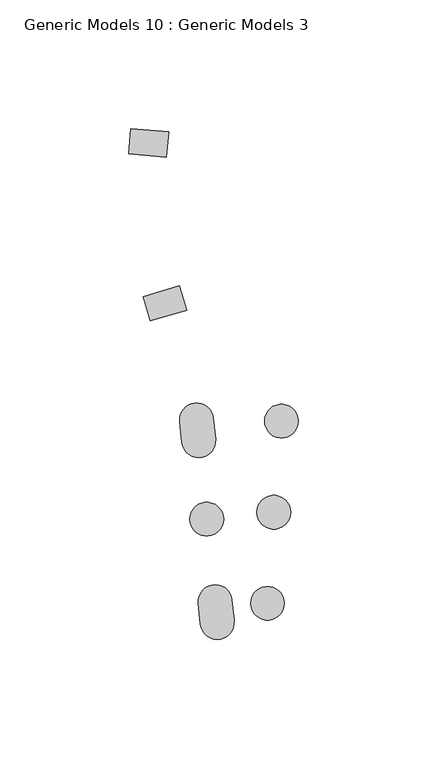
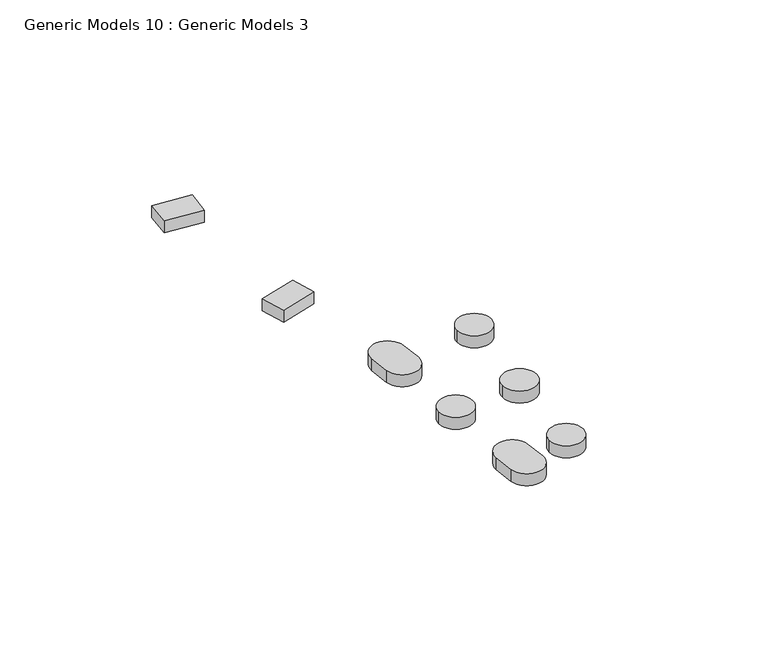
"""IFC4 building model written with IfcOpenShell, lengths in millimetres: proxy geometry, Generic Models 10 : Generic Models 3."""

from ifc_helpers import new_model, si_unit, point, frame, frame_2d, origin, place, context, project, spatial, polyline, circle_curve, trimmed, segment, composite_curve, outline, extrude, source, transform, mapped, element, save


def generic_models_10_generic_models_3_631e33b9(model_context):
    return source(origin(), model_context, "Body", "SweptSolid", [
        extrude(outline(polyline([(51367.1654521, -19982.6190928), (51366.2964898, -19992.419778), (51351.6053146, -19991.1172082), (51352.4742769, -19981.3165229), (51367.1654521, -19982.6190928)])), frame((0.0, 0.0, 808.320023), z_axis=(0.0, 0.0, 1.0), x_axis=(1.0, 0.0, 0.0)), (0.0, 0.0, 1.0), 4.891176),
        extrude(outline(polyline([(51374.2161279, -20051.8917534), (51360.0886538, -20056.1275288), (51357.2629097, -20046.7028964), (51371.3903837, -20042.4671209), (51374.2161279, -20051.8917534)])), frame((0.0, 0.0, 808.320023), z_axis=(0.0, 0.0, 1.0), x_axis=(1.0, 0.0, 0.0)), (0.0, 0.0, 1.0), 4.891176),
        extrude(outline(composite_curve([segment(trimmed(circle_curve(frame_2d((51411.0536554, -20095.0736024)), 6.5593835), [point((51404.4942719, -20095.0736024))], [point((51417.6130389, -20095.0736024))], False, "CARTESIAN"), True, "CONTINUOUS"), segment(trimmed(circle_curve(frame_2d((51411.0536554, -20095.0736024)), 6.5593835), [point((51417.6130389, -20095.0736024))], [point((51404.4942719, -20095.0736024))], False, "CARTESIAN"), True, "CONTINUOUS")], self_intersect=False)), frame((0.0, 0.0, 808.320023), z_axis=(0.0, 0.0, 1.0), x_axis=(1.0, 0.0, 0.0)), (0.0, 0.0, 1.0), 4.891176),
        extrude(outline(composite_curve([segment(trimmed(circle_curve(frame_2d((51378.0596685, -20094.5858295)), 6.5593835), [point((51371.5339992, -20095.250022))], [point((51384.5853378, -20093.9216371))], False, "CARTESIAN"), True, "CONTINUOUS"), segment(polyline([(51384.5853378, -20093.9216371), (51385.4155928, -20102.0788661)]), True, "CONTINUOUS"), segment(trimmed(circle_curve(frame_2d((51378.8899235, -20102.7430585)), 6.5593835), [point((51385.4155928, -20102.0788661))], [point((51372.3642542, -20103.407251))], False, "CARTESIAN"), True, "CONTINUOUS"), segment(polyline([(51372.3642542, -20103.407251), (51371.5339992, -20095.250022)]), True, "CONTINUOUS")], self_intersect=False)), frame((0.0, 0.0, 808.320023), z_axis=(0.0, 0.0, 1.0), x_axis=(1.0, 0.0, 0.0)), (0.0, 0.0, 1.0), 4.891176),
        extrude(outline(composite_curve([segment(trimmed(circle_curve(frame_2d((51408.0747469, -20130.5413384)), 6.5593835), [point((51401.5153634, -20130.5413384))], [point((51414.6341303, -20130.5413384))], False, "CARTESIAN"), True, "CONTINUOUS"), segment(trimmed(circle_curve(frame_2d((51408.0747469, -20130.5413384)), 6.5593835), [point((51414.6341303, -20130.5413384))], [point((51401.5153634, -20130.5413384))], False, "CARTESIAN"), True, "CONTINUOUS")], self_intersect=False)), frame((0.0, 0.0, 808.320023), z_axis=(0.0, 0.0, 1.0), x_axis=(1.0, 0.0, 0.0)), (0.0, 0.0, 1.0), 4.891176),
        extrude(outline(composite_curve([segment(trimmed(circle_curve(frame_2d((51381.9895038, -20133.1963338)), 6.5593835), [point((51375.4301203, -20133.1963338))], [point((51388.5488872, -20133.1963338))], False, "CARTESIAN"), True, "CONTINUOUS"), segment(trimmed(circle_curve(frame_2d((51381.9895038, -20133.1963338)), 6.5593835), [point((51388.5488872, -20133.1963338))], [point((51375.4301203, -20133.1963338))], False, "CARTESIAN"), True, "CONTINUOUS")], self_intersect=False)), frame((0.0, 0.0, 808.320023), z_axis=(0.0, 0.0, 1.0), x_axis=(1.0, 0.0, 0.0)), (0.0, 0.0, 1.0), 4.891176),
        extrude(outline(composite_curve([segment(trimmed(circle_curve(frame_2d((51405.639321, -20165.9537579)), 6.5593835), [point((51399.0799376, -20165.9537579))], [point((51412.1987045, -20165.9537579))], False, "CARTESIAN"), True, "CONTINUOUS"), segment(trimmed(circle_curve(frame_2d((51405.639321, -20165.9537579)), 6.5593835), [point((51412.1987045, -20165.9537579))], [point((51399.0799376, -20165.9537579))], False, "CARTESIAN"), True, "CONTINUOUS")], self_intersect=False)), frame((0.0, 0.0, 808.320023), z_axis=(0.0, 0.0, 1.0), x_axis=(1.0, 0.0, 0.0)), (0.0, 0.0, 1.0), 4.891176),
        extrude(outline(composite_curve([segment(trimmed(circle_curve(frame_2d((51385.2551582, -20165.2812826)), 6.5593835), [point((51378.7294889, -20165.945475))], [point((51391.7808275, -20164.6170901))], False, "CARTESIAN"), True, "CONTINUOUS"), segment(polyline([(51391.7808275, -20164.6170901), (51392.6110826, -20172.7743191)]), True, "CONTINUOUS"), segment(trimmed(circle_curve(frame_2d((51386.0854133, -20173.4385115)), 6.5593835), [point((51392.6110826, -20172.7743191))], [point((51379.559744, -20174.102704))], False, "CARTESIAN"), True, "CONTINUOUS"), segment(polyline([(51379.559744, -20174.102704), (51378.7294889, -20165.945475)]), True, "CONTINUOUS")], self_intersect=False)), frame((0.0, 0.0, 808.320023), z_axis=(0.0, 0.0, 1.0), x_axis=(1.0, 0.0, 0.0)), (0.0, 0.0, 1.0), 4.891176),
    ])


if __name__ == "__main__":
    model = new_model("IFC4")
    model_context = context("Model", 3, world=origin())
    ifc_project = project(units=[si_unit("LENGTHUNIT", "METRE", prefix="MILLI")], contexts=[model_context])
    site = spatial("IfcSite", under=ifc_project)
    building = spatial("IfcBuilding", under=site)
    placement = place(None, origin())
    generic_models_10_generic_models_3_shape = generic_models_10_generic_models_3_631e33b9(model_context)
    element("IfcBuildingElementProxy", 1, Name="Generic Models 10 : Generic Models 3", ObjectType="Generic Models 10 : Generic Models 3", at=placement, inside=building, context=model_context, shape_type="MappedRepresentation", body=[
        mapped(generic_models_10_generic_models_3_shape, transform((0.0, 0.0, 0.0), x_axis=(1.0, 0.0, 0.0), y_axis=(0.0, 1.0, 0.0), z_axis=(0.0, 0.0, 1.0))),
    ])
    save(model, "model.ifc")
